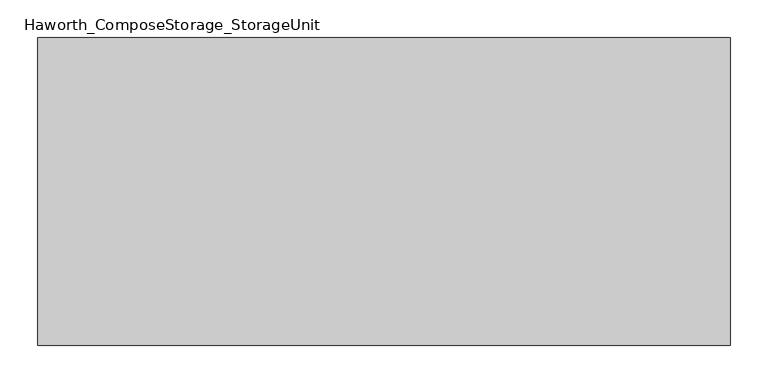
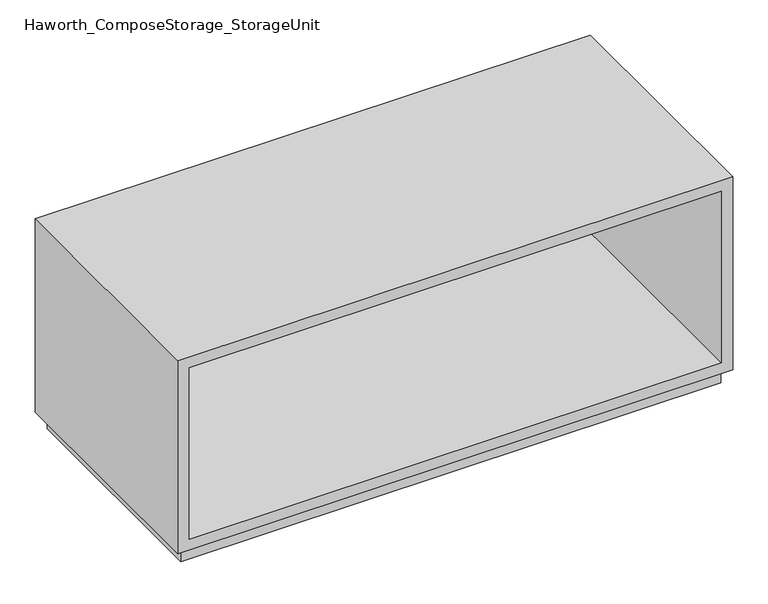
"""IFC4 building model written with IfcOpenShell, lengths in millimetres: furniture geometry, Haworth_ComposeStorage_StorageUnit."""

from ifc_helpers import new_model, si_unit, frame, origin, origin_with_axes, place, context, project, spatial, polyline, outline, extrude, source, transform, mapped, element, save


def haworth_composestorage_storageunit_a07b064b(model_context):
    return source(origin(), model_context, "Body", "SweptSolid", [
        extrude(outline(polyline([(25.4, -457.1861094), (25.4, 457.2138906), (361.95, 457.2138906), (361.95, -457.1861094), (25.4, -457.1861094)]), holes=[polyline([(44.45, -438.1361094), (342.9, -438.1361094), (342.9, 438.1569453), (44.45, 438.1569453), (44.45, -438.1361094)])]), frame((0.0, -152.4, 0.0), z_axis=(0.0, 1.0, 0.0), x_axis=(0.0, 0.0, 1.0)), (0.0, 0.0, 1.0), 406.4),
        extrude(outline(polyline([(-438.1291641, 219.075), (-438.1291641, 228.6), (438.1569453, 228.6), (438.1569453, 219.075), (-438.1291641, 219.075)])), frame((0.0, 0.0, 44.45), z_axis=(0.0, 0.0, 1.0), x_axis=(1.0, 0.0, 0.0)), (0.0, 0.0, 1.0), 298.45),
        extrude(outline(polyline([(444.5138906, -139.7), (-444.4861094, -139.7), (-444.4861094, 241.3), (444.5138906, 241.3), (444.5138906, -139.7)])), origin_with_axes(), (0.0, 0.0, 1.0), 25.4),
    ])


if __name__ == "__main__":
    model = new_model("IFC4")
    model_context = context("Model", 3, world=origin())
    ifc_project = project(units=[si_unit("LENGTHUNIT", "METRE", prefix="MILLI")], contexts=[model_context])
    site = spatial("IfcSite", under=ifc_project)
    building = spatial("IfcBuilding", under=site)
    placement = place(None, origin())
    haworth_composestorage_storageunit_shape = haworth_composestorage_storageunit_a07b064b(model_context)
    element("IfcFurniture", 1, ObjectType="Haworth_ComposeStorage_StorageUnit", at=placement, inside=building, context=model_context, shape_type="MappedRepresentation", body=[
        mapped(haworth_composestorage_storageunit_shape, transform((0.0, 0.0, 0.0), x_axis=(1.0, 0.0, 0.0), y_axis=(0.0, 1.0, 0.0), z_axis=(0.0, 0.0, 1.0))),
    ])
    save(model, "model.ifc")
